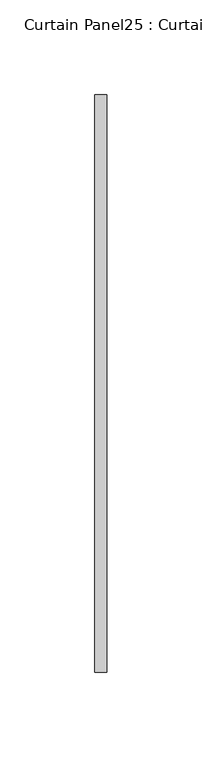
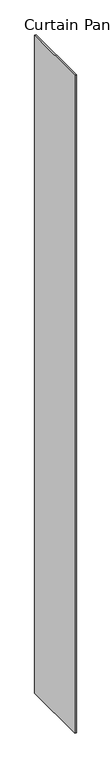
"""IFC4 building model written with IfcOpenShell, lengths in millimetres: plate geometry, Curtain Panel25 : Curtain Panel."""

from ifc_helpers import new_model, si_unit, origin, origin_with_axes, place, context, project, spatial, polyline, outline, extrude, source, transform, mapped, element, save


def curtain_panel25_curtain_panel_23ac4270(model_context):
    return source(origin(), model_context, "Body", "SweptSolid", [
        extrude(outline(polyline([(269392.1710344, 1971.356798), (269392.1710344, 2276.156798), (269398.5210344, 2276.156798), (269398.5210344, 1971.356798), (269392.1710344, 1971.356798)])), origin_with_axes(), (0.0, 0.0, 1.0), 3048.0),
    ])


if __name__ == "__main__":
    model = new_model("IFC4")
    model_context = context("Model", 3, world=origin())
    ifc_project = project(units=[si_unit("LENGTHUNIT", "METRE", prefix="MILLI")], contexts=[model_context])
    site = spatial("IfcSite", under=ifc_project)
    building = spatial("IfcBuilding", under=site)
    placement = place(None, origin())
    curtain_panel25_curtain_panel_shape = curtain_panel25_curtain_panel_23ac4270(model_context)
    element("IfcPlate", 1, ObjectType="Curtain Panel25 : Curtain Panel", at=placement, inside=building, context=model_context, shape_type="MappedRepresentation", body=[
        mapped(curtain_panel25_curtain_panel_shape, transform((0.0, 0.0, 0.0), x_axis=(1.0, 0.0, 0.0), y_axis=(0.0, 1.0, 0.0), z_axis=(0.0, 0.0, 1.0))),
    ])
    save(model, "model.ifc")
